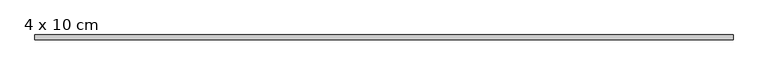
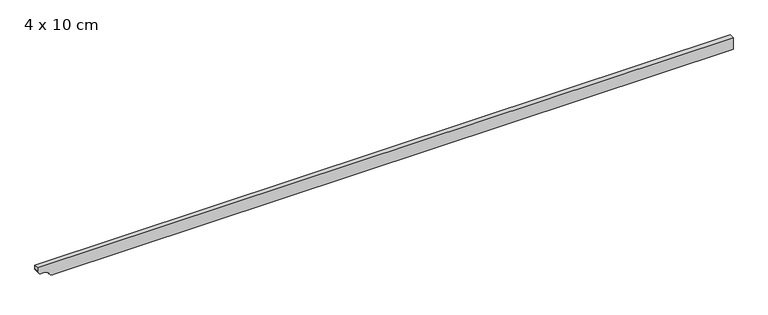
"""IFC4 building model written with IfcOpenShell, lengths in millimetres: beam geometry, 4 x 10 cm."""

import ifcopenshell
import ifcopenshell.guid

model = None  # the IFC model being written
_history = None  # IfcOwnerHistory: only IFC2X3 demands one
_inside = {}  # id of a spatial element -> (the spatial element, [elements in it])
_under = {}  # id of a project, library or spatial element -> (it, [spatial elements below it])
_declared = {}  # id of a project -> (the project, [libraries it declares])
_typed = {}  # id of a type object -> (the type object, [elements of that type])
_made_of = {}  # id of a material, layer set ... -> (it, [elements and type objects made of it])


def new_model(schema):
    """Start an empty IFC model of exactly this schema.

    Asked for "IFC4X3", IfcOpenShell would pick the latest addendum, in which some entities
    have other attributes; the version numbers below select the first issue.
    IFC2X3 requires an IfcOwnerHistory on every rooted entity: one is made here for all.
    """
    global model, _history
    if schema == "IFC4X3":
        model = ifcopenshell.file(schema_version=(4, 3, 0, 0))
    else:
        model = ifcopenshell.file(schema=schema)
    _inside.clear()
    _under.clear()
    _declared.clear()
    _typed.clear()
    _made_of.clear()
    _history = None
    if model.schema == "IFC2X3":
        org = make("IfcOrganization", Name="unknown")
        user = make(
            "IfcPersonAndOrganization",
            ThePerson=make("IfcPerson", FamilyName="unknown"),
            TheOrganization=org,
        )
        app = make(
            "IfcApplication",
            ApplicationDeveloper=org,
            Version="unknown",
            ApplicationFullName="unknown",
            ApplicationIdentifier="unknown",
        )
        _history = make(
            "IfcOwnerHistory",
            OwningUser=user,
            OwningApplication=app,
            ChangeAction="ADDED",
            CreationDate=0,
        )
    return model


def make(cls, **values):
    """One entity of the class cls with the attributes given. An attribute that is None is left unset."""
    return model.create_entity(
        cls, **{name: value for name, value in values.items() if value is not None}
    )


def rooted(cls, **values):
    """An entity with a GlobalId (a new one), such as an element, a storey or a relation."""
    return make(cls, GlobalId=ifcopenshell.guid.new(), OwnerHistory=_history, **values)


def si_unit(unit_type, name, prefix=None):
    """IfcSIUnit, for example si_unit("LENGTHUNIT", "METRE", prefix="MILLI")."""
    return make("IfcSIUnit", UnitType=unit_type, Prefix=prefix, Name=name)


def assignment(units):
    """IfcUnitAssignment: the units of a project."""
    return None if units is None else make("IfcUnitAssignment", Units=units)


def point(xyz):
    """IfcCartesianPoint."""
    return None if xyz is None else make("IfcCartesianPoint", Coordinates=xyz)


def direction(xyz):
    """IfcDirection."""
    return None if xyz is None else make("IfcDirection", DirectionRatios=xyz)


def frame(location, z_axis=None, x_axis=None):
    """IfcAxis2Placement3D, a coordinate frame: its origin and axes. An axis left out is left unset."""
    return make(
        "IfcAxis2Placement3D",
        Location=point(location),
        Axis=direction(z_axis),
        RefDirection=direction(x_axis),
    )


def frame_2d(location, x_axis=None):
    """IfcAxis2Placement2D, a coordinate frame in the plane: its origin and x axis."""
    return make(
        "IfcAxis2Placement2D", Location=point(location), RefDirection=direction(x_axis)
    )


def origin():
    """The frame at (0, 0, 0) with its axes left unset."""
    return frame((0.0, 0.0, 0.0))


def place(relative_to, where):
    """IfcLocalPlacement: puts the frame where relative to a parent placement (None: the world)."""
    return make(
        "IfcLocalPlacement", PlacementRelTo=relative_to, RelativePlacement=where
    )


def context(
    kind, dimensions, precision=None, world=None, true_north=None, identifier=None
):
    """IfcGeometricRepresentationContext, for example the 3D "Model" context."""
    return make(
        "IfcGeometricRepresentationContext",
        ContextIdentifier=identifier,
        ContextType=kind,
        CoordinateSpaceDimension=dimensions,
        Precision=precision,
        WorldCoordinateSystem=world,
        TrueNorth=true_north,
    )


def project(units=None, contexts=None):
    """IfcProject with its units and contexts."""
    return rooted(
        "IfcProject",
        Name="project",
        RepresentationContexts=contexts,
        UnitsInContext=assignment(units),
    )


def spatial(cls, under=None, at=None, **own):
    """A site, building, storey or space (cls), placed at a placement, below another one or the project."""
    s = rooted(cls, ObjectPlacement=at, **own)
    if under is not None:
        _under.setdefault(under.id(), (under, []))[1].append(s)
    return s


def polyline(points):
    """IfcPolyline through the points."""
    return make("IfcPolyline", Points=[point(p) for p in points])


def circle_curve(where, radius):
    """IfcCircle in the frame where."""
    return make("IfcCircle", Position=where, Radius=radius)


def trimmed(basis, trim1, trim2, sense, master):
    """IfcTrimmedCurve: the piece of a basis curve between two trims."""
    return make(
        "IfcTrimmedCurve",
        BasisCurve=basis,
        Trim1=trim1,
        Trim2=trim2,
        SenseAgreement=sense,
        MasterRepresentation=master,
    )


def segment(curve, same_sense, transition):
    """IfcCompositeCurveSegment."""
    return make(
        "IfcCompositeCurveSegment",
        Transition=transition,
        SameSense=same_sense,
        ParentCurve=curve,
    )


def composite_curve(segments, self_intersect=None):
    """IfcCompositeCurve: segments joined end to end."""
    return make("IfcCompositeCurve", Segments=segments, SelfIntersect=self_intersect)


def outline(outer, holes=None, kind="AREA"):
    """IfcArbitraryClosedProfileDef: a profile drawn as a closed curve; with holes, ...WithVoids."""
    if holes is None:
        return make("IfcArbitraryClosedProfileDef", ProfileType=kind, OuterCurve=outer)
    return make(
        "IfcArbitraryProfileDefWithVoids",
        ProfileType=kind,
        OuterCurve=outer,
        InnerCurves=holes,
    )


def extrude(swept, where, along, depth):
    """IfcExtrudedAreaSolid: the profile swept, set in the frame where, extruded along a direction by depth."""
    return make(
        "IfcExtrudedAreaSolid",
        SweptArea=swept,
        Position=where,
        ExtrudedDirection=direction(along),
        Depth=depth,
    )


def shape(context_of_items, identifier, shape_type, items):
    """IfcShapeRepresentation: the items that make up one representation, for example the "Body"."""
    return make(
        "IfcShapeRepresentation",
        ContextOfItems=context_of_items,
        RepresentationIdentifier=identifier,
        RepresentationType=shape_type,
        Items=items,
    )


def source(mapping_origin, context_of_items, identifier, shape_type, items):
    """IfcRepresentationMap: a shape defined once, which mapped items show again and again."""
    return make(
        "IfcRepresentationMap",
        MappingOrigin=mapping_origin,
        MappedRepresentation=shape(context_of_items, identifier, shape_type, items),
    )


def transform(
    local_origin,
    x_axis=None,
    y_axis=None,
    z_axis=None,
    scale=None,
    scale2=None,
    scale3=None,
    uniform=True,
):
    """IfcCartesianTransformationOperator3D, or its non-uniform kind. x_axis, y_axis, z_axis: its Axis1, 2, 3."""
    if uniform:
        return make(
            "IfcCartesianTransformationOperator3D",
            Axis1=direction(x_axis),
            Axis2=direction(y_axis),
            LocalOrigin=point(local_origin),
            Scale=scale,
            Axis3=direction(z_axis),
        )
    return make(
        "IfcCartesianTransformationOperator3DnonUniform",
        Axis1=direction(x_axis),
        Axis2=direction(y_axis),
        LocalOrigin=point(local_origin),
        Scale=scale,
        Axis3=direction(z_axis),
        Scale2=scale2,
        Scale3=scale3,
    )


def mapped(mapping_source, mapping_target):
    """IfcMappedItem: shows the shape of a source again, moved by a transform."""
    return make(
        "IfcMappedItem", MappingSource=mapping_source, MappingTarget=mapping_target
    )


def made_of(thing, what):
    """Note that an element or type object is made of a material, layer set ...; save() writes the relation."""
    if what is not None:
        _made_of.setdefault(what.id(), (what, []))[1].append(thing)
    return thing


def element(
    cls,
    number,
    at=None,
    inside=None,
    cuts=None,
    type_object=None,
    material=None,
    context=None,
    identifier="Body",
    shape_type=None,
    held_by="IfcProductDefinitionShape",
    body=None,
    shapes=None,
    **own,
):
    """One element of the class cls, such as IfcWall. Its Tag is "e" and its number.

    at: its placement. inside: the storey or other place that contains it. cuts: it is an
    opening in that element (IfcRelVoidsElement). A single representation is given by context,
    identifier, shape_type and body (its items); several are given by shapes. held_by: the class
    of the entity that holds the representations. save() writes the other relations.
    """
    e = rooted(cls, Tag="e%d" % number, ObjectPlacement=at, **own)
    if body is not None:
        shapes = [shape(context, identifier, shape_type, body)]
    if shapes is not None:
        e.Representation = make(held_by, Representations=shapes)
    if inside is not None:
        _inside.setdefault(inside.id(), (inside, []))[1].append(e)
    if cuts is not None:
        rooted(
            "IfcRelVoidsElement", RelatingBuildingElement=cuts, RelatedOpeningElement=e
        )
    if type_object is not None:
        _typed.setdefault(type_object.id(), (type_object, []))[1].append(e)
    return made_of(e, material)


def aggregate(whole, parts):
    """IfcRelAggregates: a whole, such as a stair, and the parts it consists of."""
    return rooted("IfcRelAggregates", RelatingObject=whole, RelatedObjects=parts)


def save(model, path):
    """Write the relations noted so far, then the file.

    IfcRelAggregates (storeys below a building ...), IfcRelContainedInSpatialStructure (elements
    in a storey), IfcRelDefinesByType, IfcRelAssociatesMaterial and IfcRelDeclares: one each for
    every whole, place, type object, material and project.
    """
    for whole, parts in _under.values():
        aggregate(whole, parts)
    for where, things in _inside.values():
        rooted(
            "IfcRelContainedInSpatialStructure",
            RelatedElements=things,
            RelatingStructure=where,
        )
    for kind, things in _typed.values():
        rooted("IfcRelDefinesByType", RelatedObjects=things, RelatingType=kind)
    for what, things in _made_of.values():
        rooted("IfcRelAssociatesMaterial", RelatedObjects=things, RelatingMaterial=what)
    for by, libraries in _declared.values():
        rooted("IfcRelDeclares", RelatingContext=by, RelatedDefinitions=libraries)
    model.write(path)


def beam_4_x_10_cm_56668c0c(model_context):
    return source(origin(), model_context, "Body", "SweptSolid", [
        extrude(outline(composite_curve([segment(polyline([(50.0, 2870.8285152), (50.0, -2910.5567612), (22.5, -2910.5567612)]), True, "CONTINUOUS"), segment(trimmed(circle_curve(frame_2d((22.5, -2878.0567612)), 32.5), [point((22.5, -2910.5567612))], [point((-10.0, -2878.0567612))], False, "CARTESIAN"), True, "CONTINUOUS"), segment(polyline([(-10.0, -2878.0567612), (-10.0, -2847.0465561)]), True, "CONTINUOUS"), segment(trimmed(circle_curve(frame_2d((-40.0, -2847.0465561)), 30.0), [point((-10.0, -2847.0465561))], [point((-34.0, -2817.6526792))], True, "CARTESIAN"), True, "CONTINUOUS"), segment(trimmed(circle_curve(frame_2d((-3.1535049, -2778.301774)), 50.0), [point((-34.0, -2817.6526792))], [point((-53.1535049, -2778.301774))], False, "CARTESIAN"), True, "CONTINUOUS"), segment(polyline([(-53.1535049, -2778.301774), (-53.1535049, 2870.8285152), (50.0, 2870.8285152)]), True, "CONTINUOUS")], self_intersect=False)), frame((0.0, -20.0, 0.0), z_axis=(0.0, 1.0, 0.0), x_axis=(0.0, 0.0, 1.0)), (0.0, 0.0, 1.0), 40.0),
    ])


if __name__ == "__main__":
    model = new_model("IFC4")
    model_context = context("Model", 3, world=origin())
    ifc_project = project(units=[si_unit("LENGTHUNIT", "METRE", prefix="MILLI")], contexts=[model_context])
    site = spatial("IfcSite", under=ifc_project)
    building = spatial("IfcBuilding", under=site)
    placement = place(None, origin())
    beam_4_x_10_cm_shape = beam_4_x_10_cm_56668c0c(model_context)
    element("IfcBeam", 1, ObjectType="4 x 10 cm", at=placement, inside=building, context=model_context, shape_type="MappedRepresentation", body=[
        mapped(beam_4_x_10_cm_shape, transform((0.0, 0.0, 0.0), x_axis=(1.0, 0.0, 0.0), y_axis=(0.0, 1.0, 0.0), z_axis=(0.0, 0.0, 1.0))),
    ])
    save(model, "model.ifc")
